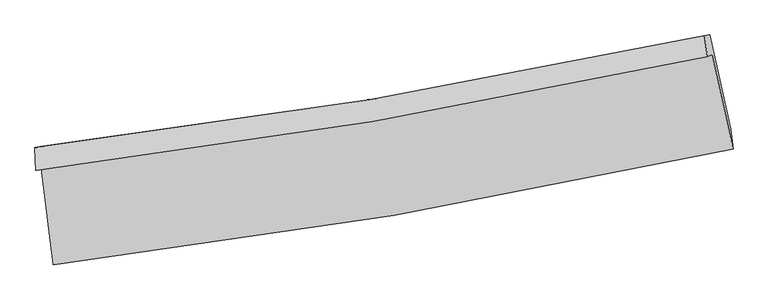
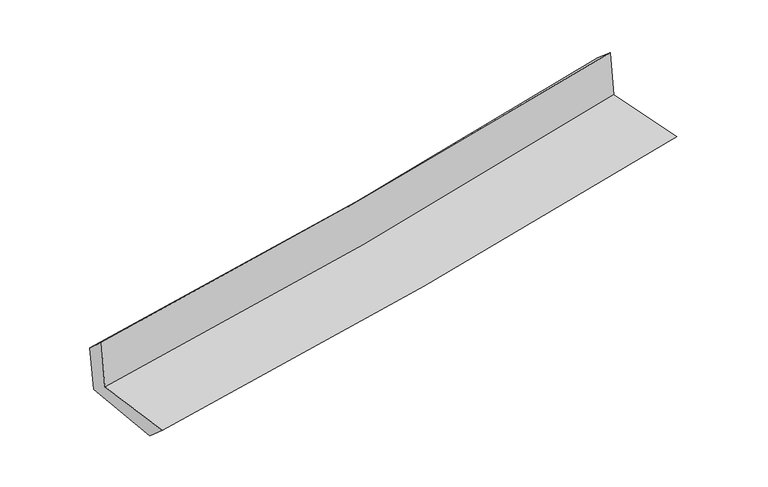
"""IFC4 building model written with IfcOpenShell, lengths in millimetres: proxy geometry."""

from ifc_helpers import new_model, si_unit, frame, origin, place, context, project, spatial, source, transform, mapped, element, save
from ifc_brep_helpers import plane_surface, spline_curve, spline_surface, advanced_brep


def generic_models_48b4b0e1(model_context):
    return source(origin(), model_context, "Body", "AdvancedBrep", [
        advanced_brep(
        [(-2352.8466832, -1874.5423085, 1673.7271406), (-2268.9255733, -2546.1697177, 1673.5319541), (2440.2390105, -1743.630761, 2099.9212881), (2296.33947, -1087.9254607, 2122.1636282), (-2390.0986123, -1890.3676393, 2085.0930199), (2261.3658129, -1102.7829381, 2508.3709875), (-2396.5470926, -1732.2597162, 1945.5935828), (2242.0885457, -956.1529206, 2382.8525023), (-2361.1514357, -1726.5977895, 1567.0071054), (2278.2610406, -950.3588135, 2004.3298743), (-2276.0050405, -2378.7967764, 1528.5121335), (2422.6606182, -1603.2294535, 1970.8342183)],
        [
            (0, 1),
            (1, 2, spline_curve(3, [(-2268.9255733, -2546.1697177, 1673.5319541), (-1479.80185181, -2451.948947624, 1754.207225603), (-693.591523092, -2338.133982003, 1830.015766581), (876.153492755, -2070.778965483, 1972.184780423), (1659.66469188, -1917.080945392, 2038.50601738), (2440.2390105, -1743.630761, 2099.9212881)], [4, 2, 4], [0.0, 7.805771605633992, 15.642945225423256])),
            (2, 3),
            (3, 0, spline_curve(3, [(2296.33947, -1087.9254607, 2122.1636282), (1526.19117203, -1256.302068927, 2047.83287352), (752.900808512, -1406.136218492, 1973.222211039), (-796.85303799, -1668.193539911, 1823.741143353), (-1573.291392069, -1780.565006425, 1748.872976525), (-2352.8466832, -1874.5423085, 1673.7271406)], [4, 2, 4], [0.0, 7.837173619789264, 15.642945225423256])),
            (4, 0),
            (3, 5),
            (5, 4, spline_curve(3, [(2261.3658129, -1102.7829381, 2508.3709875), (1489.774832544, -1271.772425404, 2449.971497716), (715.57395685, -1421.993377677, 2385.415446618), (-834.935057785, -1684.371509324, 2244.27355312), (-1611.222323689, -1796.678790349, 2167.736948626), (-2390.0986123, -1890.3676393, 2085.0930199)], [4, 2, 4], [0.0, 7.78823749066277, 15.54526904462039])),
            (6, 4),
            (5, 7),
            (7, 6, spline_curve(3, [(2242.0885457, -956.1529206, 2382.8525023), (1473.621760306, -1123.17625247, 2310.555007244), (702.053208036, -1271.455764566, 2237.894141516), (-844.183477744, -1530.008125177, 2092.138262046), (-1618.826805019, -1640.430878194, 2019.046154823), (-2396.5470926, -1732.2597162, 1945.5935828)], [4, 2, 4], [0.0, 7.777483722481335, 15.523804596492775])),
            (8, 6),
            (7, 9),
            (9, 8, spline_curve(3, [(2278.2610406, -950.3588135, 2004.3298743), (1509.97885563, -1117.359874133, 1928.706942155), (738.437421999, -1265.639332251, 1854.3813535), (-808.059469565, -1524.235930488, 1708.617472524), (-1582.988861229, -1634.702797741, 1637.168805086), (-2361.1514357, -1726.5977895, 1567.0071054)], [4, 2, 4], [0.0, 7.767179047959312, 15.503236536253967])),
            (10, 8),
            (9, 11),
            (11, 10, spline_curve(3, [(2422.6606182, -1603.2294535, 1970.8342183), (1643.201785171, -1763.716262503, 1894.729947242), (861.125636116, -1908.688937454, 1819.745887934), (-705.117182246, -2167.087303222, 1672.314152181), (-1489.262919238, -2280.637069397, 1599.857516322), (-2276.0050405, -2378.7967764, 1528.5121335)], [4, 2, 4], [0.0, 7.815511494020096, 15.599707769764791])),
            (1, 10),
            (11, 2),
        ],
        [
            spline_surface(3, 3, [[(-2352.8466832, -1874.5423085, 1673.7271406), (-1573.291392166, -1780.565006459, 1748.872976431), (-796.85303802, -1668.193540022, 1823.741143316), (752.900808542, -1406.136218381, 1973.222211076), (1526.191172142, -1256.302068869, 2047.83287342), (2296.33947, -1087.9254607, 2122.1636282)], [(-2324.872979902, -2098.41811157, 1673.662078433), (-1542.128212091, -2004.359653492, 1750.651059527), (-762.432533015, -1891.507020684, 1825.832684407), (793.985036625, -1627.683800731, 1972.876400827), (1570.682345366, -1476.561694381, 2044.723921452), (2344.305983511, -1306.493894146, 2114.749514861)], [(-2296.899276598, -2322.29391463, 1673.597016267), (-1510.96503201, -2228.154300515, 1752.429142624), (-728.012028071, -2114.82050137, 1827.924225542), (835.069264646, -1849.231383104, 1972.53059062), (1615.173518556, -1696.821319854, 2041.614969399), (2392.272496989, -1525.062327554, 2107.335401439)], [(-2268.9255733, -2546.1697177, 1673.5319541), (-1479.801851934, -2451.948947548, 1754.20722572), (-693.591523065, -2338.133982033, 1830.015766633), (876.153492729, -2070.778965453, 1972.18478037), (1659.66469178, -1917.080945366, 2038.50601743), (2440.2390105, -1743.630761, 2099.9212881)]], [4, 4], [4, 2, 4], [0.0, 2.2205903864845835], [0.0, 7.805771605633992, 15.642945225423256]),
            spline_surface(3, 3, [[(-2390.0986123, -1890.3676393, 2085.0930199), (-1611.22232367, -1796.678790447, 2167.736948515), (-834.935057735, -1684.371509209, 2244.273553229), (715.573956799, -1421.993377793, 2385.415446509), (1489.774832547, -1271.772425343, 2449.971497679), (2261.3658129, -1102.7829381, 2508.3709875)], [(-2377.68130259, -1885.092529009, 1947.971060127), (-1598.578679825, -1791.307529093, 2028.115624481), (-822.241051158, -1678.978852805, 2104.09608325), (728.016240719, -1416.707657981, 2248.017701356), (1501.913612391, -1266.615639858, 2315.925289581), (2273.023698579, -1097.83044564, 2379.635201055)], [(-2365.26399291, -1879.817418791, 1810.849100373), (-1585.935036011, -1785.936267812, 1888.494300465), (-809.547044597, -1673.586196425, 1963.918613295), (740.458524623, -1411.421938193, 2110.619956228), (1514.052392298, -1261.458854353, 2181.879081518), (2284.681584321, -1092.87795316, 2250.899414645)], [(-2352.8466832, -1874.5423085, 1673.7271406), (-1573.291392166, -1780.565006459, 1748.872976431), (-796.85303802, -1668.193540022, 1823.741143316), (752.900808542, -1406.136218381, 1973.222211076), (1526.191172142, -1256.302068869, 2047.83287342), (2296.33947, -1087.9254607, 2122.1636282)]], [4, 4], [4, 2, 4], [0.0, 1.3725602708046107], [0.0, 7.757031553957621, 15.54526904462039]),
            spline_surface(3, 3, [[(-2396.5470926, -1732.2597162, 1945.5935828), (-1618.826805113, -1640.430878234, 2019.046154817), (-844.183477843, -1530.00812512, 2092.138262167), (702.053208135, -1271.455764624, 2237.894141394), (1473.621760293, -1123.176252492, 2310.555007243), (2242.0885457, -956.1529206, 2382.8525023)], [(-2394.397599181, -1784.962357257, 1992.093395165), (-1616.29197798, -1692.513515662, 2068.609752714), (-841.100671171, -1581.462586486, 2142.850025854), (706.560124326, -1321.634969016, 2287.067909765), (1479.006117719, -1172.708310087, 2357.027170727), (2248.514301442, -1005.029593078, 2424.691997372)], [(-2392.248105719, -1837.664998243, 2038.593207535), (-1613.757150803, -1744.596153018, 2118.173350618), (-838.017864407, -1632.917047843, 2193.561789542), (711.067040608, -1371.8141734, 2336.241678138), (1484.390475121, -1222.240367747, 2403.499334195), (2254.940057158, -1053.906265622, 2466.531492428)], [(-2390.0986123, -1890.3676393, 2085.0930199), (-1611.22232367, -1796.678790447, 2167.736948515), (-834.935057735, -1684.371509209, 2244.273553229), (715.573956799, -1421.993377793, 2385.415446509), (1489.774832547, -1271.772425343, 2449.971497679), (2261.3658129, -1102.7829381, 2508.3709875)]], [4, 4], [4, 2, 4], [0.0, 0.7022403069281044], [0.0, 7.74632087401144, 15.523804596492775]),
            spline_surface(3, 3, [[(-2361.1514357, -1726.5977895, 1567.0071054), (-1582.988861127, -1634.702797732, 1637.168805084), (-808.059469512, -1524.235930531, 1708.61747265), (738.437421946, -1265.639332209, 1854.381353374), (1509.978855744, -1117.359874047, 1928.706942116), (2278.2610406, -950.3588135, 2004.3298743)], [(-2372.949988003, -1728.485098391, 1693.202597871), (-1594.934842459, -1636.61215789, 1764.461255), (-820.10080562, -1526.159995407, 1836.457735835), (726.309350678, -1267.578143028, 1982.218949393), (1497.859823915, -1119.298666861, 2055.989630484), (2266.203542289, -952.290182532, 2130.504083626)], [(-2384.748540297, -1730.372407309, 1819.398090329), (-1606.880823781, -1638.521518076, 1891.753704901), (-832.142141735, -1528.084060243, 1964.297998982), (714.181279403, -1269.516953805, 2110.056545375), (1485.740792121, -1121.237459678, 2183.272318874), (2254.146044011, -954.221551568, 2256.678292974)], [(-2396.5470926, -1732.2597162, 1945.5935828), (-1618.826805113, -1640.430878234, 2019.046154817), (-844.183477843, -1530.00812512, 2092.138262167), (702.053208135, -1271.455764624, 2237.894141394), (1473.621760293, -1123.176252492, 2310.555007243), (2242.0885457, -956.1529206, 2382.8525023)]], [4, 4], [4, 2, 4], [0.0, 1.2640096127306308], [0.0, 7.736057488294655, 15.503236536253967]),
            spline_surface(3, 3, [[(-2276.0050405, -2378.7967764, 1528.5121335), (-1489.262919326, -2280.637069453, 1599.857516248), (-705.117182244, -2167.087303276, 1672.314152052), (861.125636114, -1908.6889374, 1819.745888063), (1643.201785262, -1763.716262633, 1894.729947126), (2422.6606182, -1603.2294535, 1970.8342183)], [(-2304.387172243, -2161.397114083, 1541.343790819), (-1520.504899936, -2065.325645529, 1612.294612546), (-739.431277993, -1952.803512339, 1684.415258906), (820.229564732, -1694.339068982, 1831.291043155), (1598.794142089, -1548.264133113, 1906.055612105), (2374.527425666, -1385.605906842, 1981.999436949)], [(-2332.769303957, -1943.997451817, 1554.175448081), (-1551.746880517, -1850.014221656, 1624.731708786), (-773.745373763, -1738.519721467, 1696.516365796), (779.333493329, -1479.989200628, 1842.836198282), (1554.386498917, -1332.812003567, 1917.381277137), (2326.394233134, -1167.982360158, 1993.164655651)], [(-2361.1514357, -1726.5977895, 1567.0071054), (-1582.988861127, -1634.702797732, 1637.168805084), (-808.059469512, -1524.235930531, 1708.61747265), (738.437421946, -1265.639332209, 1854.381353374), (1509.978855744, -1117.359874047, 1928.706942116), (2278.2610406, -950.3588135, 2004.3298743)]], [4, 4], [4, 2, 4], [0.0, 2.1448262432082625], [0.0, 7.784196275744695, 15.599707769764791]),
            spline_surface(3, 3, [[(-2268.9255733, -2546.1697177, 1673.5319541), (-1479.801851934, -2451.948947548, 1754.20722572), (-693.591523065, -2338.133982033, 1830.015766633), (876.153492729, -2070.778965453, 1972.18478037), (1659.66469178, -1917.080945366, 2038.50601743), (2440.2390105, -1743.630761, 2099.9212881)], [(-2271.285395681, -2490.37873729, 1625.192013884), (-1482.955541046, -2394.844988206, 1702.757322547), (-697.433409463, -2281.118422467, 1777.448561795), (871.144207186, -2016.748956123, 1921.37181629), (1654.177056288, -1865.959384449, 1990.580660666), (2434.379546414, -1696.830325161, 2056.892264837)], [(-2273.645218119, -2434.58775681, 1576.852073716), (-1486.109230215, -2337.741028795, 1651.307419421), (-701.275295847, -2224.102862841, 1724.88135689), (866.134921657, -1962.718946731, 1870.558852144), (1648.689420754, -1814.83782355, 1942.655303891), (2428.520082286, -1650.029889339, 2013.863241563)], [(-2276.0050405, -2378.7967764, 1528.5121335), (-1489.262919326, -2280.637069453, 1599.857516248), (-705.117182244, -2167.087303276, 1672.314152052), (861.125636114, -1908.6889374, 1819.745888063), (1643.201785262, -1763.716262633, 1894.729947126), (2422.6606182, -1603.2294535, 1970.8342183)]], [4, 4], [4, 2, 4], [0.0, 0.7478512689758223], [0.0, 7.843137578153329, 15.717827490873193]),
            plane_surface(frame((2323.4924163, -1240.6800579, 2181.4120831), z_axis=(0.972904342875314, 0.21024836694984608, 0.09619128759548079), x_axis=(-0.09511788443689237, -0.015235974467234707, 0.9953494125895106))),
            plane_surface(frame((-2340.9290729, -2024.7889913, 1745.5774894), z_axis=(-0.9878741441259079, -0.12340935717986777, -0.0942061883739965), x_axis=(-0.12398771876592918, 0.9922837106570006, 0.0002883747474620504))),
        ],
        [
            (0, [[1, 2, 3, 4]]),
            (1, [[5, -4, 6, 7]]),
            (2, [[8, -7, 9, 10]]),
            (3, [[11, -10, 12, 13]]),
            (4, [[14, -13, 15, 16]]),
            (5, [[17, -16, 18, -2]]),
            (6, [[-12, -9, -6, -3, -18, -15]]),
            (7, [[-1, -5, -8, -11, -14, -17]]),
        ],
    ),
    ])


if __name__ == "__main__":
    model = new_model("IFC4")
    model_context = context("Model", 3, world=origin())
    ifc_project = project(units=[si_unit("LENGTHUNIT", "METRE", prefix="MILLI")], contexts=[model_context])
    site = spatial("IfcSite", under=ifc_project)
    building = spatial("IfcBuilding", under=site)
    placement = place(None, origin())
    generic_models_shape = generic_models_48b4b0e1(model_context)
    element("IfcBuildingElementProxy", 1, Name="Generic Models", at=placement, inside=building, context=model_context, shape_type="MappedRepresentation", body=[
        mapped(generic_models_shape, transform((0.0, 0.0, 0.0), x_axis=(1.0, 0.0, 0.0), y_axis=(0.0, 1.0, 0.0), z_axis=(0.0, 0.0, 1.0))),
    ])
    save(model, "model.ifc")
